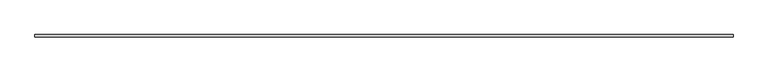
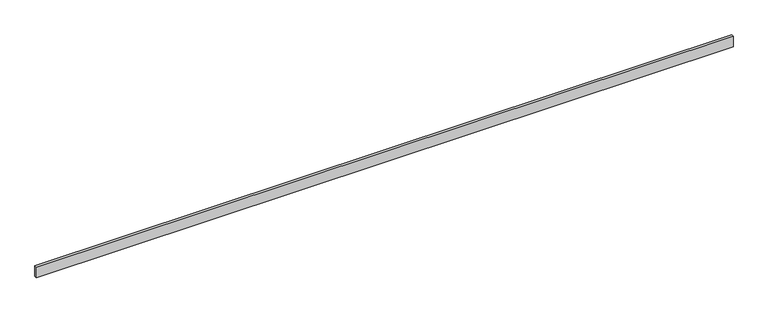
"""IFC4 building model written with IfcOpenShell, lengths in millimetres: beam geometry."""

from ifc_helpers import new_model, si_unit, frame, origin, place, context, project, spatial, polyline, outline, extrude, source, transform, mapped, element, save


def beam_1c48aa5d(model_context):
    return source(origin(), model_context, "Body", "SweptSolid", [
        extrude(outline(polyline([(-6261.25, 22.5), (6261.25, 22.5), (6261.25, -22.5), (-6261.25, -22.5), (-6261.25, 22.5)])), frame((0.0, 0.0, -100.0), z_axis=(0.0, 0.0, 1.0), x_axis=(1.0, 0.0, 0.0)), (0.0, 0.0, 1.0), 200.0),
    ])


if __name__ == "__main__":
    model = new_model("IFC4")
    model_context = context("Model", 3, world=origin())
    ifc_project = project(units=[si_unit("LENGTHUNIT", "METRE", prefix="MILLI")], contexts=[model_context])
    site = spatial("IfcSite", under=ifc_project)
    building = spatial("IfcBuilding", under=site)
    placement = place(None, origin())
    beam_shape = beam_1c48aa5d(model_context)
    element("IfcBeam", 1, at=placement, inside=building, context=model_context, shape_type="MappedRepresentation", body=[
        mapped(beam_shape, transform((0.0, 0.0, 0.0), x_axis=(1.0, 0.0, 0.0), y_axis=(0.0, 1.0, 0.0), z_axis=(0.0, 0.0, 1.0))),
    ])
    save(model, "model.ifc")
